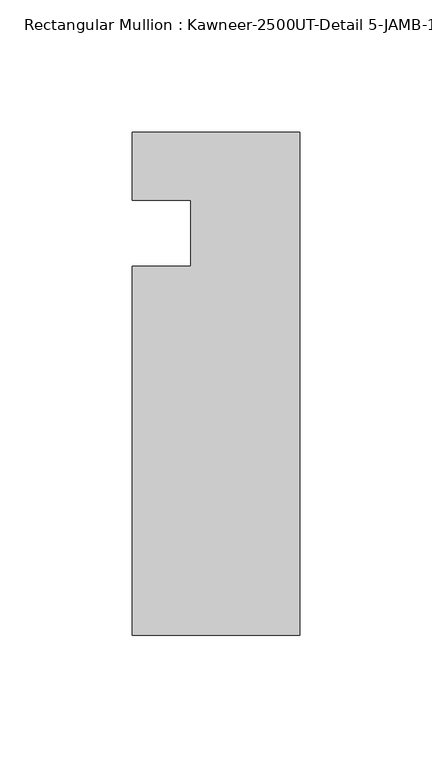
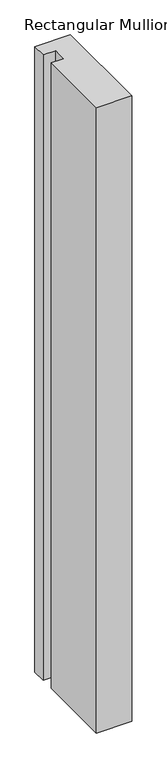
"""IFC4 building model written with IfcOpenShell, lengths in millimetres: member geometry, Rectangular Mullion : Kawneer-2500UT-Detail 5-JAMB-1 INCH INFILL."""

import ifcopenshell
import ifcopenshell.guid

model = None  # the IFC model being written
_history = None  # IfcOwnerHistory: only IFC2X3 demands one
_inside = {}  # id of a spatial element -> (the spatial element, [elements in it])
_under = {}  # id of a project, library or spatial element -> (it, [spatial elements below it])
_declared = {}  # id of a project -> (the project, [libraries it declares])
_typed = {}  # id of a type object -> (the type object, [elements of that type])
_made_of = {}  # id of a material, layer set ... -> (it, [elements and type objects made of it])


def new_model(schema):
    """Start an empty IFC model of exactly this schema.

    Asked for "IFC4X3", IfcOpenShell would pick the latest addendum, in which some entities
    have other attributes; the version numbers below select the first issue.
    IFC2X3 requires an IfcOwnerHistory on every rooted entity: one is made here for all.
    """
    global model, _history
    if schema == "IFC4X3":
        model = ifcopenshell.file(schema_version=(4, 3, 0, 0))
    else:
        model = ifcopenshell.file(schema=schema)
    _inside.clear()
    _under.clear()
    _declared.clear()
    _typed.clear()
    _made_of.clear()
    _history = None
    if model.schema == "IFC2X3":
        org = make("IfcOrganization", Name="unknown")
        user = make(
            "IfcPersonAndOrganization",
            ThePerson=make("IfcPerson", FamilyName="unknown"),
            TheOrganization=org,
        )
        app = make(
            "IfcApplication",
            ApplicationDeveloper=org,
            Version="unknown",
            ApplicationFullName="unknown",
            ApplicationIdentifier="unknown",
        )
        _history = make(
            "IfcOwnerHistory",
            OwningUser=user,
            OwningApplication=app,
            ChangeAction="ADDED",
            CreationDate=0,
        )
    return model


def make(cls, **values):
    """One entity of the class cls with the attributes given. An attribute that is None is left unset."""
    return model.create_entity(
        cls, **{name: value for name, value in values.items() if value is not None}
    )


def rooted(cls, **values):
    """An entity with a GlobalId (a new one), such as an element, a storey or a relation."""
    return make(cls, GlobalId=ifcopenshell.guid.new(), OwnerHistory=_history, **values)


def si_unit(unit_type, name, prefix=None):
    """IfcSIUnit, for example si_unit("LENGTHUNIT", "METRE", prefix="MILLI")."""
    return make("IfcSIUnit", UnitType=unit_type, Prefix=prefix, Name=name)


def assignment(units):
    """IfcUnitAssignment: the units of a project."""
    return None if units is None else make("IfcUnitAssignment", Units=units)


def point(xyz):
    """IfcCartesianPoint."""
    return None if xyz is None else make("IfcCartesianPoint", Coordinates=xyz)


def direction(xyz):
    """IfcDirection."""
    return None if xyz is None else make("IfcDirection", DirectionRatios=xyz)


def frame(location, z_axis=None, x_axis=None):
    """IfcAxis2Placement3D, a coordinate frame: its origin and axes. An axis left out is left unset."""
    return make(
        "IfcAxis2Placement3D",
        Location=point(location),
        Axis=direction(z_axis),
        RefDirection=direction(x_axis),
    )


def origin():
    """The frame at (0, 0, 0) with its axes left unset."""
    return frame((0.0, 0.0, 0.0))


def place(relative_to, where):
    """IfcLocalPlacement: puts the frame where relative to a parent placement (None: the world)."""
    return make(
        "IfcLocalPlacement", PlacementRelTo=relative_to, RelativePlacement=where
    )


def context(
    kind, dimensions, precision=None, world=None, true_north=None, identifier=None
):
    """IfcGeometricRepresentationContext, for example the 3D "Model" context."""
    return make(
        "IfcGeometricRepresentationContext",
        ContextIdentifier=identifier,
        ContextType=kind,
        CoordinateSpaceDimension=dimensions,
        Precision=precision,
        WorldCoordinateSystem=world,
        TrueNorth=true_north,
    )


def project(units=None, contexts=None):
    """IfcProject with its units and contexts."""
    return rooted(
        "IfcProject",
        Name="project",
        RepresentationContexts=contexts,
        UnitsInContext=assignment(units),
    )


def spatial(cls, under=None, at=None, **own):
    """A site, building, storey or space (cls), placed at a placement, below another one or the project."""
    s = rooted(cls, ObjectPlacement=at, **own)
    if under is not None:
        _under.setdefault(under.id(), (under, []))[1].append(s)
    return s


def polyline(points):
    """IfcPolyline through the points."""
    return make("IfcPolyline", Points=[point(p) for p in points])


def outline(outer, holes=None, kind="AREA"):
    """IfcArbitraryClosedProfileDef: a profile drawn as a closed curve; with holes, ...WithVoids."""
    if holes is None:
        return make("IfcArbitraryClosedProfileDef", ProfileType=kind, OuterCurve=outer)
    return make(
        "IfcArbitraryProfileDefWithVoids",
        ProfileType=kind,
        OuterCurve=outer,
        InnerCurves=holes,
    )


def extrude(swept, where, along, depth):
    """IfcExtrudedAreaSolid: the profile swept, set in the frame where, extruded along a direction by depth."""
    return make(
        "IfcExtrudedAreaSolid",
        SweptArea=swept,
        Position=where,
        ExtrudedDirection=direction(along),
        Depth=depth,
    )


def shape(context_of_items, identifier, shape_type, items):
    """IfcShapeRepresentation: the items that make up one representation, for example the "Body"."""
    return make(
        "IfcShapeRepresentation",
        ContextOfItems=context_of_items,
        RepresentationIdentifier=identifier,
        RepresentationType=shape_type,
        Items=items,
    )


def source(mapping_origin, context_of_items, identifier, shape_type, items):
    """IfcRepresentationMap: a shape defined once, which mapped items show again and again."""
    return make(
        "IfcRepresentationMap",
        MappingOrigin=mapping_origin,
        MappedRepresentation=shape(context_of_items, identifier, shape_type, items),
    )


def transform(
    local_origin,
    x_axis=None,
    y_axis=None,
    z_axis=None,
    scale=None,
    scale2=None,
    scale3=None,
    uniform=True,
):
    """IfcCartesianTransformationOperator3D, or its non-uniform kind. x_axis, y_axis, z_axis: its Axis1, 2, 3."""
    if uniform:
        return make(
            "IfcCartesianTransformationOperator3D",
            Axis1=direction(x_axis),
            Axis2=direction(y_axis),
            LocalOrigin=point(local_origin),
            Scale=scale,
            Axis3=direction(z_axis),
        )
    return make(
        "IfcCartesianTransformationOperator3DnonUniform",
        Axis1=direction(x_axis),
        Axis2=direction(y_axis),
        LocalOrigin=point(local_origin),
        Scale=scale,
        Axis3=direction(z_axis),
        Scale2=scale2,
        Scale3=scale3,
    )


def mapped(mapping_source, mapping_target):
    """IfcMappedItem: shows the shape of a source again, moved by a transform."""
    return make(
        "IfcMappedItem", MappingSource=mapping_source, MappingTarget=mapping_target
    )


def made_of(thing, what):
    """Note that an element or type object is made of a material, layer set ...; save() writes the relation."""
    if what is not None:
        _made_of.setdefault(what.id(), (what, []))[1].append(thing)
    return thing


def element(
    cls,
    number,
    at=None,
    inside=None,
    cuts=None,
    type_object=None,
    material=None,
    context=None,
    identifier="Body",
    shape_type=None,
    held_by="IfcProductDefinitionShape",
    body=None,
    shapes=None,
    **own,
):
    """One element of the class cls, such as IfcWall. Its Tag is "e" and its number.

    at: its placement. inside: the storey or other place that contains it. cuts: it is an
    opening in that element (IfcRelVoidsElement). A single representation is given by context,
    identifier, shape_type and body (its items); several are given by shapes. held_by: the class
    of the entity that holds the representations. save() writes the other relations.
    """
    e = rooted(cls, Tag="e%d" % number, ObjectPlacement=at, **own)
    if body is not None:
        shapes = [shape(context, identifier, shape_type, body)]
    if shapes is not None:
        e.Representation = make(held_by, Representations=shapes)
    if inside is not None:
        _inside.setdefault(inside.id(), (inside, []))[1].append(e)
    if cuts is not None:
        rooted(
            "IfcRelVoidsElement", RelatingBuildingElement=cuts, RelatedOpeningElement=e
        )
    if type_object is not None:
        _typed.setdefault(type_object.id(), (type_object, []))[1].append(e)
    return made_of(e, material)


def aggregate(whole, parts):
    """IfcRelAggregates: a whole, such as a stair, and the parts it consists of."""
    return rooted("IfcRelAggregates", RelatingObject=whole, RelatedObjects=parts)


def save(model, path):
    """Write the relations noted so far, then the file.

    IfcRelAggregates (storeys below a building ...), IfcRelContainedInSpatialStructure (elements
    in a storey), IfcRelDefinesByType, IfcRelAssociatesMaterial and IfcRelDeclares: one each for
    every whole, place, type object, material and project.
    """
    for whole, parts in _under.values():
        aggregate(whole, parts)
    for where, things in _inside.values():
        rooted(
            "IfcRelContainedInSpatialStructure",
            RelatedElements=things,
            RelatingStructure=where,
        )
    for kind, things in _typed.values():
        rooted("IfcRelDefinesByType", RelatedObjects=things, RelatingType=kind)
    for what, things in _made_of.values():
        rooted("IfcRelAssociatesMaterial", RelatedObjects=things, RelatingMaterial=what)
    for by, libraries in _declared.values():
        rooted("IfcRelDeclares", RelatingContext=by, RelatedDefinitions=libraries)
    model.write(path)


def rectangular_mullion_kawneer_2500ut_detail_5_jamb_1_inch_efa228f3(model_context):
    return source(origin(), model_context, "Body", "SweptSolid", [
        extrude(outline(polyline([(-82.7668749, -165.1096688), (-82.7668749, -25.4096738), (-60.5419882, -25.4096738), (-60.5419882, -0.3273021), (-82.7668749, -0.3273021), (-82.7668749, 25.3903262), (-19.2668749, 25.3903262), (-19.2668749, -165.1096688), (-82.7668749, -165.1096688)])), frame((0.0, 0.0, -1182.6875), z_axis=(0.0, 0.0, 1.0), x_axis=(1.0, 0.0, 0.0)), (0.0, 0.0, 1.0), 1182.6875),
    ])


if __name__ == "__main__":
    model = new_model("IFC4")
    model_context = context("Model", 3, world=origin())
    ifc_project = project(units=[si_unit("LENGTHUNIT", "METRE", prefix="MILLI")], contexts=[model_context])
    site = spatial("IfcSite", under=ifc_project)
    building = spatial("IfcBuilding", under=site)
    placement = place(None, origin())
    rectangular_mullion_kawneer_2500ut_detail_5_jamb_1_inch_shape = rectangular_mullion_kawneer_2500ut_detail_5_jamb_1_inch_efa228f3(model_context)
    element("IfcMember", 1, ObjectType="Rectangular Mullion : Kawneer-2500UT-Detail 5-JAMB-1 INCH INFILL", at=placement, inside=building, context=model_context, shape_type="MappedRepresentation", body=[
        mapped(rectangular_mullion_kawneer_2500ut_detail_5_jamb_1_inch_shape, transform((0.0, 0.0, 0.0), x_axis=(1.0, 0.0, 0.0), y_axis=(0.0, 1.0, 0.0), z_axis=(0.0, 0.0, 1.0))),
    ])
    save(model, "model.ifc")
